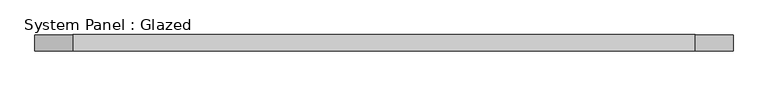
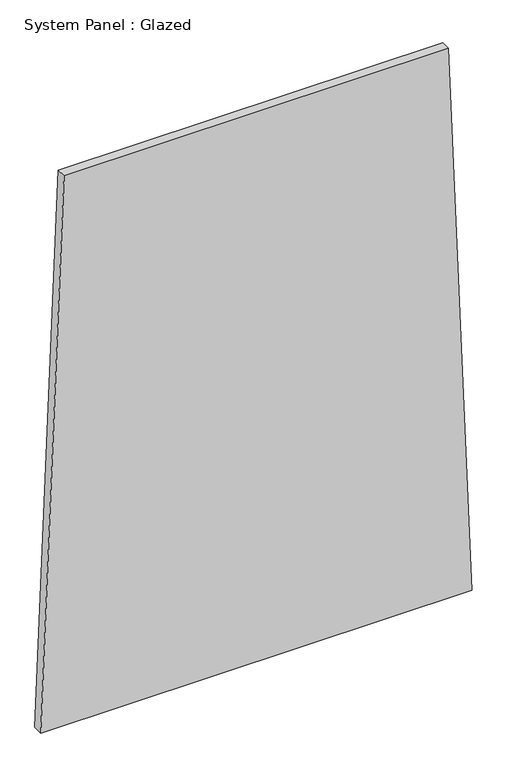
"""IFC4 building model written with IfcOpenShell, lengths in millimetres: plate geometry, System Panel : Glazed."""

from ifc_helpers import new_model, si_unit, frame, origin, place, context, project, spatial, polyline, outline, extrude, source, transform, mapped, element, save


def system_panel_glazed_c9f85853(model_context):
    return source(origin(), model_context, "Body", "SweptSolid", [
        extrude(outline(polyline([(0.0, -537.9990576), (0.0, 537.9990576), (1448.7937009, 479.8679742), (1448.7938363, -479.8618978), (0.0, -537.9990576)])), frame((0.0, -49.5, 0.0), z_axis=(0.0, 1.0, 0.0), x_axis=(0.0, 0.0, 1.0)), (0.0, 0.0, 1.0), 25.0),
    ])


if __name__ == "__main__":
    model = new_model("IFC4")
    model_context = context("Model", 3, world=origin())
    ifc_project = project(units=[si_unit("LENGTHUNIT", "METRE", prefix="MILLI")], contexts=[model_context])
    site = spatial("IfcSite", under=ifc_project)
    building = spatial("IfcBuilding", under=site)
    placement = place(None, origin())
    system_panel_glazed_shape = system_panel_glazed_c9f85853(model_context)
    element("IfcPlate", 1, ObjectType="System Panel : Glazed", at=placement, inside=building, context=model_context, shape_type="MappedRepresentation", body=[
        mapped(system_panel_glazed_shape, transform((0.0, 0.0, 0.0), x_axis=(1.0, 0.0, 0.0), y_axis=(0.0, 1.0, 0.0), z_axis=(0.0, 0.0, 1.0))),
    ])
    save(model, "model.ifc")
